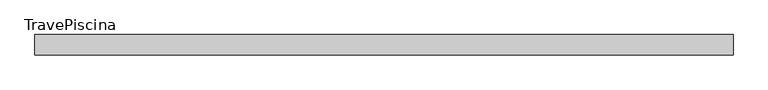
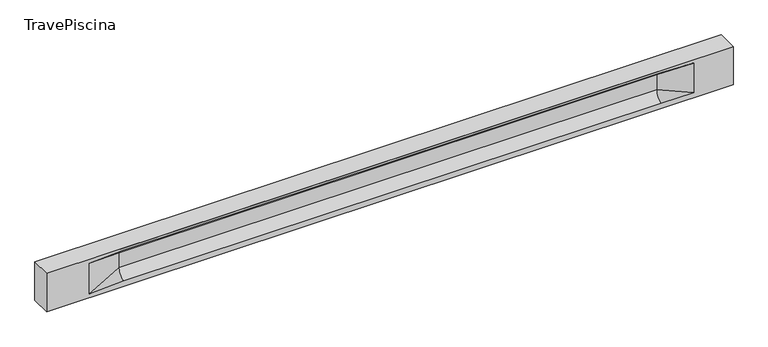
"""IFC4 building model written with IfcOpenShell, lengths in millimetres: beam geometry, TravePiscina."""

from ifc_helpers import new_model, si_unit, frame, origin, place, context, project, spatial, polyline, circle_curve, source, transform, mapped, element, save
from ifc_brep_helpers import plane_surface, revolved_surface, spline_surface, advanced_brep


def travepiscina_091bf23d(model_context):
    return source(origin(), model_context, "Body", "AdvancedBrep", [
        advanced_brep(
        [(8484.0, -250.0, 500.0), (8484.0, -250.0, -500.0), (8484.0, 250.0, -500.0), (8484.0, 250.0, 500.0), (-8484.0, -250.0, 500.0), (-8484.0, -250.0, -500.0), (7509.0, -250.0, -362.0), (6709.0, -250.0, -360.0), (-6584.0, -250.0, -360.0), (-7434.0, -250.0, -400.0), (-7434.0, -250.0, 400.0), (-6584.0, -250.0, 435.0), (6709.0, -250.0, 435.0), (7509.0, -250.0, 400.0), (-8484.0, 250.0, -500.0), (-8484.0, 250.0, 500.0), (7509.0, 250.0, 400.0), (6709.0, 250.0, 435.0), (-6584.0, 250.0, 435.0), (-7434.0, 250.0, 400.0), (-7434.0, 250.0, -400.0), (-6584.0, 250.0, -360.0), (6709.0, 250.0, -360.0), (7509.0, 250.0, -362.0), (6709.0, 155.0, 405.0), (-6584.0, 155.0, 405.0), (-6584.0, -60.0, 262.777021), (6709.0, -60.0, 262.777021), (6709.0, -155.0, 405.0), (-6584.0, -155.0, 405.0), (-6584.0, 60.0, 262.777021), (6709.0, 60.0, 262.777021), (6709.0, 60.0, -120.0), (-6584.0, 60.0, -120.0), (-6584.0, -60.0, -120.0), (6709.0, -60.0, -120.0)],
        [
            (0, 1),
            (1, 2),
            (2, 3),
            (3, 0),
            (0, 4),
            (4, 5),
            (5, 1),
            (6, 7),
            (7, 8),
            (8, 9),
            (9, 10),
            (10, 11),
            (11, 12),
            (12, 13),
            (13, 6),
            (5, 14),
            (14, 2),
            (14, 15),
            (15, 3),
            (16, 17),
            (17, 18),
            (18, 19),
            (19, 20),
            (20, 21),
            (21, 22),
            (22, 23),
            (23, 16),
            (15, 4),
            (17, 24),
            (24, 25),
            (25, 18),
            (26, 27),
            (27, 28, circle_curve(frame((6709.0, -213.9598725, 262.777021), z_axis=(1.0, 0.0, 0.0), x_axis=(0.0, 1.0, 0.0)), 153.9598725)),
            (28, 29),
            (29, 26, circle_curve(frame((-6584.0, -213.9598725, 262.777021), z_axis=(-1.0, 0.0, 0.0), x_axis=(0.0, 1.0, 0.0)), 153.9598725)),
            (30, 31),
            (31, 32),
            (32, 33),
            (33, 30),
            (28, 12),
            (11, 29),
            (34, 35),
            (35, 27),
            (26, 34),
            (25, 19),
            (22, 32, circle_curve(frame((6709.0, 306.5789474, -120.0), z_axis=(-1.0, 0.0, 0.0), x_axis=(0.0, 1.0, 0.0)), 246.5789474)),
            (32, 23),
            (10, 29),
            (10, 26),
            (13, 28),
            (27, 13),
            (30, 19),
            (25, 30, circle_curve(frame((-6584.0, 213.9598725, 262.777021), z_axis=(1.0, 0.0, 0.0), x_axis=(0.0, 1.0, 0.0)), 153.9598725)),
            (9, 34),
            (8, 34, circle_curve(frame((-6584.0, -306.5789474, -120.0), z_axis=(1.0, 0.0, 0.0), x_axis=(0.0, 1.0, 0.0)), 246.5789474)),
            (20, 33),
            (33, 21, circle_curve(frame((-6584.0, 306.5789474, -120.0), z_axis=(1.0, 0.0, 0.0), x_axis=(0.0, 1.0, 0.0)), 246.5789474)),
            (35, 6),
            (35, 7, circle_curve(frame((6709.0, -306.5789474, -120.0), z_axis=(-1.0, 0.0, 0.0), x_axis=(0.0, 1.0, 0.0)), 246.5789474)),
            (31, 16),
            (31, 24, circle_curve(frame((6709.0, 213.9598725, 262.777021), z_axis=(-1.0, 0.0, 0.0), x_axis=(0.0, 1.0, 0.0)), 153.9598725)),
            (24, 16),
        ],
        [
            plane_surface(frame((8484.0, 0.0, 0.0), z_axis=(1.0, 0.0, 0.0), x_axis=(0.0, 0.0, 1.0))),
            plane_surface(frame((8484.0, -250.0, 500.0), z_axis=(0.0, -1.0, 0.0), x_axis=(-1.0, 0.0, 0.0))),
            plane_surface(frame((8484.0, -250.0, -500.0), z_axis=(0.0, 0.0, -1.0), x_axis=(-1.0, 0.0, 0.0))),
            plane_surface(frame((8484.0, 250.0, -500.0), z_axis=(0.0, 1.0, 0.0), x_axis=(-1.0, 0.0, 0.0))),
            plane_surface(frame((8484.0, 250.0, 500.0), z_axis=(0.0, 0.0, 1.0), x_axis=(-1.0, 0.0, 0.0))),
            plane_surface(frame((-6584.0, 250.0, 435.0), z_axis=(0.0, 0.30113136793710954, -0.9535826651341378), x_axis=(1.0, 0.0, 0.0))),
            plane_surface(frame((-8484.0, 0.0, 0.0), z_axis=(-1.0, 0.0, 0.0), x_axis=(0.0, 0.0, 1.0))),
            revolved_surface(polyline([(6709.0, -60.0, 262.777021), (-6584.0, -60.0, 262.777021)]), (-6584.0, -213.9598725, 262.777021), (1.0, 0.0, 0.0)),
            plane_surface(frame((-6584.0, 60.0, 262.777021), z_axis=(0.0, 1.0, 0.0), x_axis=(1.0, 0.0, 0.0))),
            plane_surface(frame((-6584.0, -155.0, 405.0), z_axis=(0.0, -0.30113136793710693, -0.9535826651341387), x_axis=(1.0, 0.0, 0.0))),
            plane_surface(frame((-6584.0, -60.0, -120.0), z_axis=(0.0, -1.0, 0.0), x_axis=(1.0, 0.0, 0.0))),
            plane_surface(frame((-7434.0, 250.0, 400.0), z_axis=(0.03923493491469444, 0.30089950084952793, -0.9528484193567961), x_axis=(0.0, 0.9535826651341378, 0.30113136793710954))),
            spline_surface(2, 1, [[(6709.0, 250.0, -360.0), (7509.0, 250.0, -362.0)], [(6709.0, 60.00000002887427, -315.20833329480604), (7509.0, 250.0, -362.0)], [(6709.0, 60.0, -120.0), (7509.0, 250.0, -362.0)]], [3, 3], [2, 2], [0.0, 1.0], [0.0, 1.0], weights=[[1.0, 1.0], [0.7840458245391329, 0.7840458245391329], [1.0, 1.0]]),
            plane_surface(frame((-7434.0, -250.0, 400.0), z_axis=(0.03923493491469448, -0.3008995008495253, -0.952848419356797), x_axis=(0.0, 0.9535826651341387, -0.30113136793710693))),
            spline_surface(2, 1, [[(-7434.0, -250.0, 400.0), (-6584.0, -155.0, 405.0)], [(-7434.0, -250.0, 400.0), (-6584.0, -60.00000008030692, 365.6168572114734)], [(-7434.0, -250.0, 400.0), (-6584.0, -60.0, 262.777021)]], [3, 3], [2, 2], [0.0, 1.0], [0.0, 1.0], weights=[[1.0, 1.0], [0.8315515924557569, 0.8315515924557569], [1.0, 1.0]]),
            spline_surface(2, 1, [[(6709.0, -155.0, 405.0), (7509.0, -250.0, 400.0)], [(6709.0, -60.00000008030692, 365.6168572114734), (7509.0, -250.0, 400.0)], [(6709.0, -60.0, 262.777021), (7509.0, -250.0, 400.0)]], [3, 3], [2, 2], [0.0, 1.0], [0.0, 1.0], weights=[[1.0, 1.0], [0.8315515924557569, 0.8315515924557569], [1.0, 1.0]]),
            plane_surface(frame((6709.0, -202.5, 420.0), z_axis=(-0.041682982855687514, -0.30086965068766125, -0.9527538938442274), x_axis=(0.0, 0.9535826651341387, -0.30113136793710693))),
            spline_surface(2, 1, [[(-7434.0, 250.0, 400.0), (-6584.0, 60.0, 262.777021)], [(-7434.0, 250.0, 400.0), (-6584.0, 59.99999995452379, 365.6168572954922)], [(-7434.0, 250.0, 400.0), (-6584.0, 155.0, 405.0)]], [3, 3], [2, 2], [0.0, 1.0], [0.0, 1.0], weights=[[1.0, 1.0], [0.8315515921160737, 0.8315515921160737], [1.0, 1.0]]),
            plane_surface(frame((-7434.0, -250.0, 0.0), z_axis=(0.21814596370705283, -0.975916153426267, 0.0), x_axis=(0.0, 0.0, -1.0))),
            spline_surface(2, 1, [[(-7434.0, -250.0, -400.0), (-6584.0, -60.0, -120.0)], [(-7434.0, -250.0, -400.0), (-6584.0, -59.99999998020837, -315.20833333333337)], [(-7434.0, -250.0, -400.0), (-6584.0, -250.0, -360.0)]], [3, 3], [2, 2], [0.0, 1.0], [0.0, 1.0], weights=[[1.0, 1.0], [0.7840458244617614, 0.7840458244617614], [1.0, 1.0]]),
            spline_surface(2, 1, [[(-7434.0, 250.0, -400.0), (-6584.0, 250.0, -360.0)], [(-7434.0, 250.0, -400.0), (-6584.0, 60.00000002887427, -315.20833329480604)], [(-7434.0, 250.0, -400.0), (-6584.0, 60.0, -120.0)]], [3, 3], [2, 2], [0.0, 1.0], [0.0, 1.0], weights=[[1.0, 1.0], [0.7840458245391329, 0.7840458245391329], [1.0, 1.0]]),
            plane_surface(frame((-7434.0, 250.0, 0.0), z_axis=(0.21814596370704872, 0.975916153426268, 0.0), x_axis=(0.0, 0.0, 1.0))),
            plane_surface(frame((6709.0, -60.0, 71.3885105), z_axis=(-0.23107243079589768, -0.9729365507195602, 0.0), x_axis=(0.0, 0.0, -1.0))),
            spline_surface(2, 1, [[(6709.0, -60.0, -120.0), (7509.0, -250.0, -362.0)], [(6709.0, -59.99999998020837, -315.20833333333337), (7509.0, -250.0, -362.0)], [(6709.0, -250.0, -360.0), (7509.0, -250.0, -362.0)]], [3, 3], [2, 2], [0.0, 1.0], [0.0, 1.0], weights=[[1.0, 1.0], [0.7840458244617614, 0.7840458244617614], [1.0, 1.0]]),
            plane_surface(frame((6709.0, 60.0, 71.3885105), z_axis=(-0.2310724307958912, 0.9729365507195616, 0.0), x_axis=(0.0, 0.0, 1.0))),
            spline_surface(2, 1, [[(6709.0, 60.0, 262.777021), (7509.0, 250.0, 400.0)], [(6709.0, 59.99999995452379, 365.6168572954922), (7509.0, 250.0, 400.0)], [(6709.0, 155.0, 405.0), (7509.0, 250.0, 400.0)]], [3, 3], [2, 2], [0.0, 1.0], [0.0, 1.0], weights=[[1.0, 1.0], [0.8315515921160737, 0.8315515921160737], [1.0, 1.0]]),
            plane_surface(frame((6709.0, 202.5, 420.0), z_axis=(-0.04168298285568677, 0.30086965068766386, -0.9527538938442265), x_axis=(0.0, 0.9535826651341378, 0.30113136793710954))),
            revolved_surface(polyline([(6709.0, 367.919745, 262.777021), (-6584.0, 367.919745, 262.777021)]), (-6584.0, 213.9598725, 262.777021), (1.0, 0.0, 0.0)),
            revolved_surface(polyline([(6709.0, 553.1578948, -120.0), (-6584.0, 553.1578948, -120.0)]), (-6584.0, 306.5789474, -120.0), (1.0, 0.0, 0.0)),
            revolved_surface(polyline([(6709.0, -60.0, -120.0), (-6584.0, -60.0, -120.0)]), (-6584.0, -306.5789474, -120.0), (1.0, 0.0, 0.0)),
        ],
        [
            (0, [[1, 2, 3, 4]]),
            (1, [[-1, 5, 6, 7], [8, 9, 10, 11, 12, 13, 14, 15]]),
            (2, [[-2, -7, 16, 17]]),
            (3, [[-3, -17, 18, 19], [20, 21, 22, 23, 24, 25, 26, 27]]),
            (4, [[-5, -4, -19, 28]]),
            (5, [[-21, 29, 30, 31]]),
            (6, [[-28, -18, -16, -6]]),
            (7, [[32, 33, 34, 35]]),
            (8, [[36, 37, 38, 39]]),
            (9, [[-34, 40, -13, 41]]),
            (10, [[42, 43, -32, 44]]),
            (11, [[45, -22, -31]]),
            (12, [[-26, 46, 47]]),
            (13, [[-12, 48, -41]]),
            (14, [[-48, 49, -35]]),
            (15, [[50, -33, 51]]),
            (16, [[-14, -40, -50]]),
            (17, [[52, -45, 53]]),
            (18, [[-49, -11, 54, -44]]),
            (19, [[-54, -10, 55]]),
            (20, [[-24, 56, 57]]),
            (21, [[-52, -39, -56, -23]]),
            (22, [[-51, -43, 58, -15]]),
            (23, [[-58, 59, -8]]),
            (24, [[-47, -37, 60, -27]]),
            (25, [[-60, 61, 62]]),
            (26, [[-62, -29, -20]]),
            (27, [[-30, -61, -36, -53]]),
            (28, [[-38, -46, -25, -57]]),
            (29, [[-9, -59, -42, -55]]),
        ],
    ),
    ])


if __name__ == "__main__":
    model = new_model("IFC4")
    model_context = context("Model", 3, world=origin())
    ifc_project = project(units=[si_unit("LENGTHUNIT", "METRE", prefix="MILLI")], contexts=[model_context])
    site = spatial("IfcSite", under=ifc_project)
    building = spatial("IfcBuilding", under=site)
    placement = place(None, origin())
    travepiscina_shape = travepiscina_091bf23d(model_context)
    element("IfcBeam", 1, ObjectType="TravePiscina", at=placement, inside=building, context=model_context, shape_type="MappedRepresentation", body=[
        mapped(travepiscina_shape, transform((0.0, 0.0, 0.0), x_axis=(1.0, 0.0, 0.0), y_axis=(0.0, 1.0, 0.0), z_axis=(0.0, 0.0, 1.0))),
    ])
    save(model, "model.ifc")
